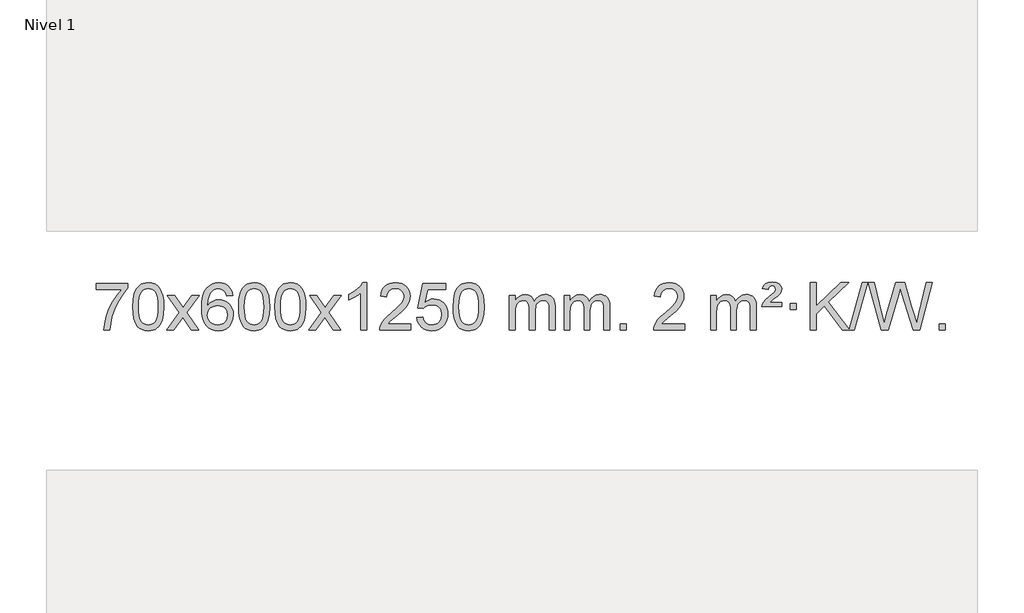
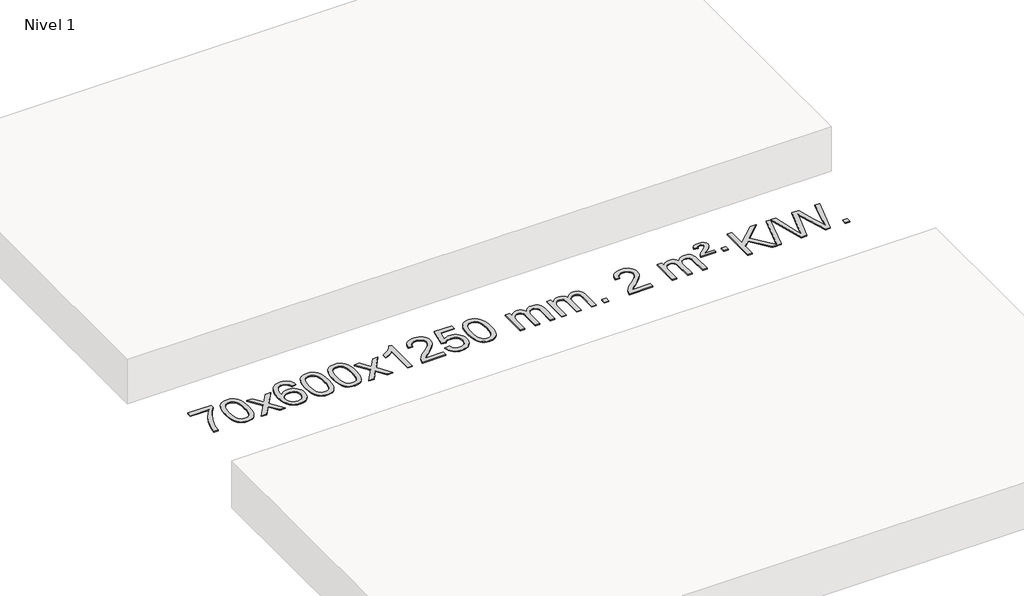
# One storey, part 3 of 7: 1 proxy.
"""IFC4 building model written with IfcOpenShell, lengths in millimetres."""

from ifc_helpers import new_model, si_unit, origin, origin_with_axes, place, context, project, spatial, polyline, outline, extrude, element, save

model = new_model("IFC4")

# Units and contexts
model_context = context("Model", 3, world=origin())
ifc_project = project(units=[si_unit("LENGTHUNIT", "METRE", prefix="MILLI")], contexts=[model_context])

# Site, building, storey
site = spatial("IfcSite", under=ifc_project)
building = spatial("IfcBuilding", under=site)
storey = spatial("IfcBuildingStorey", under=building, Name="Nivel 1", Elevation=0.0)

# Proxy
placement = place(None, origin())
element("IfcBuildingElementProxy", 1, Name="Texto de modelo 1", ObjectType="Texto de modelo 1", at=placement, inside=storey, context=model_context, shape_type="SweptSolid", body=[
    extrude(outline(polyline([(-25593.8451637, -6239.2982907), (-25593.8451637, -6189.0701357), (-25330.1473496, -6189.0701357), (-25330.1473496, -6229.6843079), (-25367.7326267, -6277.2514499), (-25404.9500219, -6337.7435126), (-25437.7773586, -6405.6422662), (-25462.1924604, -6475.4294807), (-25474.1608879, -6527.6441985), (-25480.8318148, -6584.6168569), (-25531.0599699, -6584.6168569), (-25525.6275791, -6532.8435974), (-25511.0962403, -6471.3092024), (-25487.8583609, -6406.0837246), (-25456.3063484, -6343.2372171), (-25419.469098, -6286.4239743), (-25380.3755046, -6239.2982907), (-25593.8451637, -6239.2982907)])), origin_with_axes(), (0.0, 0.0, 1.0), 10.0),
    extrude(outline(polyline([(-25286.1977139, -6386.9415981), (-25282.5066312, -6322.6235626), (-25271.4333831, -6271.3285498), (-25253.0883343, -6232.2717446), (-25241.2302713, -6217.0383643), (-25227.5818493, -6204.6683323), (-25212.097083, -6195.097269), (-25194.7299871, -6188.2607953), (-25154.3488068, -6182.7916163), (-25123.3976683, -6186.0289778), (-25095.6838913, -6195.7410625), (-25072.5073256, -6211.5477256), (-25055.1678209, -6233.0688223), (-25042.0712219, -6260.1204117), (-25031.6233732, -6292.5185527), (-25024.7807681, -6333.6600225), (-25022.4998997, -6386.9415981), (-25026.1541942, -6450.8917516), (-25037.1170777, -6502.0641372), (-25055.3517619, -6541.1577305), (-25067.1822337, -6556.437096), (-25080.8214587, -6568.8715075), (-25096.3246191, -6578.5069501), (-25113.7468973, -6585.3894091), (-25154.3488068, -6590.8953763), (-25182.0135328, -6588.5041433), (-25206.5389992, -6581.3304444), (-25227.9252058, -6569.3742795), (-25246.1721528, -6552.6356488), (-25263.6833358, -6522.3773547), (-25276.1913236, -6484.6755815), (-25283.6961163, -6439.5303293), (-25286.1977139, -6386.9415981)]), holes=[polyline([(-25235.9695588, -6386.8434963), (-25234.4980308, -6430.5080234), (-25230.0834469, -6465.8522861), (-25222.725807, -6492.8762843), (-25212.4251111, -6511.5800181), (-25199.9661742, -6524.3056694), (-25186.1338112, -6533.3954204), (-25170.9280221, -6538.849271), (-25154.3488068, -6540.6672212), (-25137.7695916, -6538.8431396), (-25122.5638024, -6533.3708949), (-25108.7314394, -6524.2504871), (-25096.2725025, -6511.4819162), (-25085.9718066, -6492.7475256), (-25078.6141667, -6465.7296588), (-25074.1995828, -6430.4283156), (-25072.7280548, -6386.8434963), (-25074.1505319, -6344.3347317), (-25078.417963, -6309.6128027), (-25085.5303482, -6282.6777093), (-25095.4876876, -6263.5294515), (-25107.738158, -6250.1814664), (-25121.7299366, -6240.6471914), (-25137.4630232, -6234.9266264), (-25154.937418, -6233.0197713), (-25171.4307941, -6234.6997658), (-25186.3790659, -6239.7397491), (-25199.7822332, -6248.1397213), (-25211.6402962, -6259.8996825), (-25222.2843486, -6280.7463289), (-25229.8872431, -6308.8525133), (-25234.4489799, -6344.2182358), (-25235.9695588, -6386.8434963)])]), origin_with_axes(), (0.0, 0.0, 1.0), 10.0),
    extrude(outline(polyline([(-24997.3858222, -6584.6168569), (-24890.0623815, -6436.2868364), (-24991.1073028, -6289.5264458), (-24930.6765537, -6289.5264458), (-24881.9199266, -6360.1597889), (-24859.1602939, -6393.5144231), (-24839.4418189, -6366.2421045), (-24783.9161631, -6289.5264458), (-24723.4854141, -6289.5264458), (-24829.6316324, -6436.2868364), (-24727.4094887, -6584.6168569), (-24787.8402377, -6584.6168569), (-24849.3501073, -6495.4422612), (-24860.6318219, -6479.1573516), (-24936.9550731, -6584.6168569), (-24997.3858222, -6584.6168569)])), origin_with_axes(), (0.0, 0.0, 1.0), 10.0),
    extrude(outline(polyline([(-24438.597597, -6289.5264458), (-24488.8257521, -6295.8049652), (-24496.919156, -6270.9116168), (-24507.8575139, -6253.9154687), (-24530.6416722, -6238.2436957), (-24558.1837709, -6233.0197713), (-24581.5320148, -6236.0609292), (-24603.5068327, -6245.1844027), (-24622.379179, -6264.4001055), (-24637.7934346, -6290.850821), (-24648.2044951, -6328.2644199), (-24652.0672561, -6380.3687731), (-24631.9195855, -6356.8611137), (-24607.7742638, -6340.2941611), (-24580.9801919, -6330.4717119), (-24552.8862702, -6327.1975621), (-24528.7532113, -6329.4355109), (-24506.4840878, -6336.1493573), (-24486.0788998, -6347.3391013), (-24467.5376473, -6363.004743), (-24452.129523, -6382.2143145), (-24441.12372, -6404.0358482), (-24434.5202382, -6428.469344), (-24432.3190776, -6455.514802), (-24436.4638814, -6491.4813984), (-24448.8982929, -6524.8237699), (-24468.5922423, -6553.1016326), (-24494.5156603, -6573.8747026), (-24525.4913243, -6586.6402078), (-24560.3420119, -6590.8953763), (-24590.2845407, -6588.0749476), (-24617.326933, -6579.6136617), (-24641.4691889, -6565.5115186), (-24662.7113085, -6545.7685182), (-24680.0293534, -6519.5507947), (-24692.3993855, -6486.0244822), (-24699.8214047, -6445.1895807), (-24702.2954111, -6397.0460903), (-24699.5485589, -6343.0716702), (-24691.3080022, -6297.006713), (-24677.5737411, -6258.8512188), (-24658.3457754, -6228.6051874), (-24637.5052604, -6208.56175), (-24613.3415447, -6194.2450091), (-24585.8546283, -6185.6549645), (-24555.0445112, -6182.7916163), (-24531.9108651, -6184.5635812), (-24510.9722482, -6189.879476), (-24492.2286605, -6198.7393008), (-24475.6801021, -6211.1430554), (-24461.7741627, -6226.6738069), (-24450.958432, -6244.9146225), (-24443.2329101, -6265.8655021), (-24438.597597, -6289.5264458)]), holes=[polyline([(-24652.0672561, -6454.7299871), (-24649.1609883, -6476.9868478), (-24640.442185, -6498.2381644), (-24626.9041276, -6516.5096368), (-24609.5400974, -6529.8269651), (-24588.5830864, -6537.9571571), (-24564.2660865, -6540.6672212), (-24531.1199188, -6535.0508894), (-24517.2047823, -6528.0304746), (-24505.0616108, -6518.201894), (-24495.2115704, -6505.9636863), (-24488.1758272, -6491.7143904), (-24482.5472327, -6457.1825337), (-24488.1022508, -6424.036366), (-24495.0460235, -6410.4155351), (-24504.7673052, -6398.7628729), (-24516.9472649, -6389.4278673), (-24531.2670716, -6382.7600061), (-24566.3262257, -6377.4257172), (-24599.4233425, -6382.7600061), (-24627.1003313, -6398.7628729), (-24638.0233609, -6410.2622509), (-24645.8255249, -6423.4232293), (-24650.5068233, -6438.245808), (-24652.0672561, -6454.7299871)])]), origin_with_axes(), (0.0, 0.0, 1.0), 10.0),
    extrude(outline(polyline([(-24388.3694419, -6386.9415981), (-24384.6783592, -6322.6235626), (-24373.6051112, -6271.3285498), (-24355.2600623, -6232.2717446), (-24343.4019994, -6217.0383643), (-24329.7535774, -6204.6683323), (-24314.268811, -6195.097269), (-24296.9017152, -6188.2607953), (-24256.5205348, -6182.7916163), (-24225.5693963, -6186.0289778), (-24197.8556193, -6195.7410625), (-24174.6790537, -6211.5477256), (-24157.3395489, -6233.0688223), (-24144.2429499, -6260.1204117), (-24133.7951013, -6292.5185527), (-24126.9524961, -6333.6600225), (-24124.6716278, -6386.9415981), (-24128.3259223, -6450.8917516), (-24139.2888057, -6502.0641372), (-24157.5234899, -6541.1577305), (-24169.3539618, -6556.437096), (-24182.9931867, -6568.8715075), (-24198.4963472, -6578.5069501), (-24215.9186253, -6585.3894091), (-24256.5205348, -6590.8953763), (-24284.1852609, -6588.5041433), (-24308.7107272, -6581.3304444), (-24330.0969339, -6569.3742795), (-24348.3438808, -6552.6356488), (-24365.8550638, -6522.3773547), (-24378.3630516, -6484.6755815), (-24385.8678443, -6439.5303293), (-24388.3694419, -6386.9415981)]), holes=[polyline([(-24338.1412868, -6386.8434963), (-24336.6697589, -6430.5080234), (-24332.2551749, -6465.8522861), (-24324.897535, -6492.8762843), (-24314.5968391, -6511.5800181), (-24302.1379022, -6524.3056694), (-24288.3055392, -6533.3954204), (-24273.0997501, -6538.849271), (-24256.5205348, -6540.6672212), (-24239.9413196, -6538.8431396), (-24224.7355305, -6533.3708949), (-24210.9031674, -6524.2504871), (-24198.4442305, -6511.4819162), (-24188.1435347, -6492.7475256), (-24180.7858948, -6465.7296588), (-24176.3713108, -6430.4283156), (-24174.8997828, -6386.8434963), (-24176.3222599, -6344.3347317), (-24180.589691, -6309.6128027), (-24187.7020763, -6282.6777093), (-24197.6594156, -6263.5294515), (-24209.9098861, -6250.1814664), (-24223.9016646, -6240.6471914), (-24239.6347513, -6234.9266264), (-24257.109146, -6233.0197713), (-24273.6025222, -6234.6997658), (-24288.5507939, -6239.7397491), (-24301.9539612, -6248.1397213), (-24313.8120242, -6259.8996825), (-24324.4560766, -6280.7463289), (-24332.0589712, -6308.8525133), (-24336.6207079, -6344.2182358), (-24338.1412868, -6386.8434963)])]), origin_with_axes(), (0.0, 0.0, 1.0), 10.0),
    extrude(outline(polyline([(-24080.7219921, -6386.9415981), (-24077.0309094, -6322.6235626), (-24065.9576613, -6271.3285498), (-24047.6126125, -6232.2717446), (-24035.7545495, -6217.0383643), (-24022.1061275, -6204.6683323), (-24006.6213612, -6195.097269), (-23989.2542653, -6188.2607953), (-23948.873085, -6182.7916163), (-23917.9219465, -6186.0289778), (-23890.2081695, -6195.7410625), (-23867.0316038, -6211.5477256), (-23849.6920991, -6233.0688223), (-23836.5955001, -6260.1204117), (-23826.1476514, -6292.5185527), (-23819.3050463, -6333.6600225), (-23817.0241779, -6386.9415981), (-23820.6784724, -6450.8917516), (-23831.6413559, -6502.0641372), (-23849.8760401, -6541.1577305), (-23861.7065119, -6556.437096), (-23875.3457369, -6568.8715075), (-23890.8488973, -6578.5069501), (-23908.2711755, -6585.3894091), (-23948.873085, -6590.8953763), (-23976.537811, -6588.5041433), (-24001.0632774, -6581.3304444), (-24022.449484, -6569.3742795), (-24040.696431, -6552.6356488), (-24058.207614, -6522.3773547), (-24070.7156018, -6484.6755815), (-24078.2203945, -6439.5303293), (-24080.7219921, -6386.9415981)]), holes=[polyline([(-24030.493837, -6386.8434963), (-24029.022309, -6430.5080234), (-24024.6077251, -6465.8522861), (-24017.2500852, -6492.8762843), (-24006.9493893, -6511.5800181), (-23994.4904524, -6524.3056694), (-23980.6580894, -6533.3954204), (-23965.4523003, -6538.849271), (-23948.873085, -6540.6672212), (-23932.2938698, -6538.8431396), (-23917.0880806, -6533.3708949), (-23903.2557176, -6524.2504871), (-23890.7967807, -6511.4819162), (-23880.4960848, -6492.7475256), (-23873.1384449, -6465.7296588), (-23868.723861, -6430.4283156), (-23867.252333, -6386.8434963), (-23868.6748101, -6344.3347317), (-23872.9422412, -6309.6128027), (-23880.0546264, -6282.6777093), (-23890.0119658, -6263.5294515), (-23902.2624362, -6250.1814664), (-23916.2542148, -6240.6471914), (-23931.9873014, -6234.9266264), (-23949.4616962, -6233.0197713), (-23965.9550723, -6234.6997658), (-23980.9033441, -6239.7397491), (-23994.3065114, -6248.1397213), (-24006.1645744, -6259.8996825), (-24016.8086268, -6280.7463289), (-24024.4115214, -6308.8525133), (-24028.9732581, -6344.2182358), (-24030.493837, -6386.8434963)])]), origin_with_axes(), (0.0, 0.0, 1.0), 10.0),
    extrude(outline(polyline([(-23791.9101004, -6584.6168569), (-23684.5866597, -6436.2868364), (-23785.631581, -6289.5264458), (-23725.2008319, -6289.5264458), (-23676.4442048, -6360.1597889), (-23653.6845721, -6393.5144231), (-23633.9660971, -6366.2421045), (-23578.4404413, -6289.5264458), (-23518.0096923, -6289.5264458), (-23624.1559106, -6436.2868364), (-23521.9337669, -6584.6168569), (-23582.3645159, -6584.6168569), (-23643.8743855, -6495.4422612), (-23655.1561001, -6479.1573516), (-23731.4793513, -6584.6168569), (-23791.9101004, -6584.6168569)])), origin_with_axes(), (0.0, 0.0, 1.0), 10.0),
    extrude(outline(polyline([(-23302.1855884, -6584.6168569), (-23352.4137435, -6584.6168569), (-23352.4137435, -6271.4757026), (-23373.3830172, -6288.4350626), (-23399.9931482, -6305.3698971), (-23452.8700536, -6330.7292293), (-23452.8700536, -6283.2479264), (-23413.420841, -6261.7881434), (-23379.2446037, -6236.2571329), (-23352.3033789, -6209.1074417), (-23334.559204, -6182.7916163), (-23302.1855884, -6182.7916163), (-23302.1855884, -6584.6168569)])), origin_with_axes(), (0.0, 0.0, 1.0), 10.0),
    extrude(outline(polyline([(-22925.4744254, -6534.3887018), (-22925.4744254, -6584.6168569), (-23189.1722395, -6584.6168569), (-23188.0685935, -6566.9339956), (-23183.7766369, -6549.9868984), (-23171.3912764, -6522.9230463), (-23153.2669568, -6496.6685346), (-23127.0492333, -6469.1877495), (-23090.3836611, -6438.4450775), (-23036.1823804, -6390.301587), (-23003.6616121, -6354.7641863), (-22987.4012279, -6325.9222379), (-22981.9810998, -6297.8651044), (-22987.0946596, -6272.7142386), (-23002.4353388, -6251.8062786), (-23026.0165746, -6237.7163982), (-23055.8518045, -6233.0197713), (-23087.1830877, -6237.6060336), (-23111.5246131, -6251.3648202), (-23127.2331742, -6273.2170107), (-23132.665565, -6302.0834846), (-23182.8937201, -6295.8049652), (-23178.5741724, -6269.8754159), (-23170.7168261, -6247.2200164), (-23159.3216813, -6227.8387666), (-23144.388738, -6211.7316666), (-23126.2613526, -6199.0703946), (-23105.2828819, -6190.0266288), (-23081.4533256, -6184.6003694), (-23054.7726839, -6182.7916163), (-23027.8529189, -6184.8027045), (-23003.894604, -6190.8359692), (-22982.8977391, -6200.8914104), (-22964.8623243, -6214.9690281), (-22950.3769708, -6232.02649), (-22940.0302896, -6251.0214636), (-22933.822281, -6271.9539492), (-22931.7529447, -6294.8239465), (-22933.9847622, -6318.8466408), (-22940.6802145, -6342.4524022), (-22952.5628029, -6366.4628337), (-22970.3560288, -6391.6995386), (-22998.7197306, -6421.829074), (-23042.313747, -6460.5179972), (-23100.0957457, -6508.8331659), (-23122.7572766, -6534.3887018), (-22925.4744254, -6534.3887018)])), origin_with_axes(), (0.0, 0.0, 1.0), 10.0),
    extrude(outline(polyline([(-22875.2462703, -6477.8820273), (-22825.0181152, -6471.603508), (-22815.7965399, -6501.7575688), (-22799.7078339, -6523.3522419), (-22776.8255738, -6536.3384764), (-22747.223336, -6540.6672212), (-22728.0934722, -6539.1619707), (-22711.2199514, -6534.6462192), (-22696.6027734, -6527.1199667), (-22684.2419384, -6516.5832132), (-22674.4133578, -6503.5571249), (-22667.392943, -6488.5628679), (-22661.7766112, -6452.6698479), (-22667.0373238, -6418.8737553), (-22673.6132144, -6404.9555532), (-22682.8194613, -6393.0239138), (-22694.6867214, -6383.4528505), (-22709.2456513, -6376.6163768), (-22746.438521, -6371.1471978), (-22770.8045719, -6373.3299643), (-22790.5353095, -6379.8782638), (-22806.2929217, -6389.9091796), (-22818.7395958, -6402.5397947), (-22868.9677509, -6396.2612753), (-22825.0181152, -6189.0701357), (-22630.3840143, -6189.0701357), (-22630.3840143, -6239.2982907), (-22784.4039429, -6239.2982907), (-22805.8882515, -6349.9571949), (-22788.1624707, -6337.2530033), (-22770.0074942, -6328.1785808), (-22751.4233221, -6322.7339272), (-22732.4099543, -6320.9190427), (-22707.9488673, -6323.1692543), (-22685.4804744, -6329.9198889), (-22665.0047757, -6341.1709466), (-22646.5217712, -6356.9224273), (-22631.2209458, -6376.2117066), (-22620.2917849, -6398.0761598), (-22613.7342883, -6422.5157871), (-22611.5484561, -6449.5305882), (-22613.5166248, -6475.552108), (-22619.4211308, -6499.7587433), (-22629.2619742, -6522.1504941), (-22643.0391549, -6542.7273604), (-22663.9103268, -6563.8008673), (-22688.2641149, -6578.8533723), (-22716.1005192, -6587.8848753), (-22747.4195397, -6590.8953763), (-22773.3398919, -6588.9609301), (-22796.7525152, -6583.1575916), (-22817.6574096, -6573.4853608), (-22836.0545751, -6559.9442377), (-22851.3615318, -6543.2086726), (-22862.9957998, -6523.9531159), (-22870.9573794, -6502.1775674), (-22875.2462703, -6477.8820273)])), origin_with_axes(), (0.0, 0.0, 1.0), 10.0),
    extrude(outline(polyline([(-22567.5988205, -6386.9415981), (-22563.9077378, -6322.6235626), (-22552.8344897, -6271.3285498), (-22534.4894409, -6232.2717446), (-22522.6313779, -6217.0383643), (-22508.9829559, -6204.6683323), (-22493.4981896, -6195.097269), (-22476.1310937, -6188.2607953), (-22435.7499134, -6182.7916163), (-22404.7987749, -6186.0289778), (-22377.0849979, -6195.7410625), (-22353.9084322, -6211.5477256), (-22336.5689275, -6233.0688223), (-22323.4723285, -6260.1204117), (-22313.0244798, -6292.5185527), (-22306.1818747, -6333.6600225), (-22303.9010063, -6386.9415981), (-22307.5553008, -6450.8917516), (-22318.5181843, -6502.0641372), (-22336.7528685, -6541.1577305), (-22348.5833403, -6556.437096), (-22362.2225653, -6568.8715075), (-22377.7257257, -6578.5069501), (-22395.1480038, -6585.3894091), (-22435.7499134, -6590.8953763), (-22463.4146394, -6588.5041433), (-22487.9401058, -6581.3304444), (-22509.3263124, -6569.3742795), (-22527.5732594, -6552.6356488), (-22545.0844423, -6522.3773547), (-22557.5924302, -6484.6755815), (-22565.0972229, -6439.5303293), (-22567.5988205, -6386.9415981)]), holes=[polyline([(-22517.3706654, -6386.8434963), (-22515.8991374, -6430.5080234), (-22511.4845535, -6465.8522861), (-22504.1269136, -6492.8762843), (-22493.8262177, -6511.5800181), (-22481.3672808, -6524.3056694), (-22467.5349178, -6533.3954204), (-22452.3291286, -6538.849271), (-22435.7499134, -6540.6672212), (-22419.1706981, -6538.8431396), (-22403.964909, -6533.3708949), (-22390.132546, -6524.2504871), (-22377.6736091, -6511.4819162), (-22367.3729132, -6492.7475256), (-22360.0152733, -6465.7296588), (-22355.6006894, -6430.4283156), (-22354.1291614, -6386.8434963), (-22355.5516384, -6344.3347317), (-22359.8190696, -6309.6128027), (-22366.9314548, -6282.6777093), (-22376.8887942, -6263.5294515), (-22389.1392646, -6250.1814664), (-22403.1310431, -6240.6471914), (-22418.8641298, -6234.9266264), (-22436.3385246, -6233.0197713), (-22452.8319007, -6234.6997658), (-22467.7801724, -6239.7397491), (-22481.1833398, -6248.1397213), (-22493.0414028, -6259.8996825), (-22503.6854552, -6280.7463289), (-22511.2883497, -6308.8525133), (-22515.8500865, -6344.2182358), (-22517.3706654, -6386.8434963)])]), origin_with_axes(), (0.0, 0.0, 1.0), 10.0),
    extrude(outline(polyline([(-22090.4313472, -6584.6168569), (-22090.4313472, -6289.5264458), (-22040.2031922, -6289.5264458), (-22040.2031922, -6338.0868692), (-22025.0955049, -6315.7809575), (-22005.6713356, -6298.3065628), (-21982.5928717, -6287.0125855), (-21956.522301, -6283.2479264), (-21928.5877948, -6287.0861619), (-21906.1960441, -6298.6008684), (-21889.469676, -6317.0317563), (-21878.531318, -6341.6185363), (-21860.2230574, -6316.0813945), (-21839.3396228, -6297.8405789), (-21815.8810142, -6286.8960895), (-21789.8472317, -6283.2479264), (-21769.739415, -6284.7654397), (-21752.0902763, -6289.3179793), (-21736.8998156, -6296.9055455), (-21724.1680328, -6307.5281381), (-21714.1033946, -6321.3083845), (-21706.9143673, -6338.368912), (-21702.6009509, -6358.7097207), (-21701.1631454, -6382.3308105), (-21701.1631454, -6584.6168569), (-21751.3913005, -6584.6168569), (-21751.3913005, -6403.9132208), (-21752.5562601, -6378.860457), (-21756.0511391, -6361.9746734), (-21762.5994386, -6350.410916), (-21772.9246599, -6341.3242307), (-21786.2052, -6335.4381188), (-21801.6194556, -6333.4760815), (-21828.8304605, -6338.5038021), (-21851.0137448, -6353.5869639), (-21859.6191178, -6365.1568526), (-21865.7658128, -6379.7556365), (-21870.6831688, -6418.0398895), (-21870.6831688, -6584.6168569), (-21920.9113239, -6584.6168569), (-21920.9113239, -6398.3214145), (-21923.8175916, -6369.9209245), (-21932.5363949, -6349.6628893), (-21947.8770741, -6337.5227834), (-21970.6489696, -6333.4760815), (-21989.9995626, -6336.1738828), (-22007.8295766, -6344.2672867), (-22022.5448564, -6357.5600894), (-22032.5512467, -6375.8560873), (-22038.2902058, -6401.239945), (-22040.2031922, -6435.7963271), (-22040.2031922, -6584.6168569), (-22090.4313472, -6584.6168569)])), origin_with_axes(), (0.0, 0.0, 1.0), 10.0),
    extrude(outline(polyline([(-21625.8209128, -6584.6168569), (-21625.8209128, -6289.5264458), (-21575.5927577, -6289.5264458), (-21575.5927577, -6338.0868692), (-21560.4850705, -6315.7809575), (-21541.0609011, -6298.3065628), (-21517.9824373, -6287.0125855), (-21491.9118666, -6283.2479264), (-21463.9773604, -6287.0861619), (-21441.5856096, -6298.6008684), (-21424.8592416, -6317.0317563), (-21413.9208836, -6341.6185363), (-21395.612623, -6316.0813945), (-21374.7291884, -6297.8405789), (-21351.2705798, -6286.8960895), (-21325.2367973, -6283.2479264), (-21305.1289806, -6284.7654397), (-21287.4798418, -6289.3179793), (-21272.2893811, -6296.9055455), (-21259.5575984, -6307.5281381), (-21249.4929602, -6321.3083845), (-21242.3039328, -6338.368912), (-21237.9905164, -6358.7097207), (-21236.552711, -6382.3308105), (-21236.552711, -6584.6168569), (-21286.780866, -6584.6168569), (-21286.780866, -6403.9132208), (-21287.9458257, -6378.860457), (-21291.4407047, -6361.9746734), (-21297.9890042, -6350.410916), (-21308.3142255, -6341.3242307), (-21321.5947655, -6335.4381188), (-21337.0090211, -6333.4760815), (-21364.220026, -6338.5038021), (-21386.4033103, -6353.5869639), (-21395.0086833, -6365.1568526), (-21401.1553783, -6379.7556365), (-21406.0727343, -6418.0398895), (-21406.0727343, -6584.6168569), (-21456.3008894, -6584.6168569), (-21456.3008894, -6398.3214145), (-21459.2071572, -6369.9209245), (-21467.9259605, -6349.6628893), (-21483.2666397, -6337.5227834), (-21506.0385352, -6333.4760815), (-21525.3891281, -6336.1738828), (-21543.2191422, -6344.2672867), (-21557.934422, -6357.5600894), (-21567.9408122, -6375.8560873), (-21573.6797714, -6401.239945), (-21575.5927577, -6435.7963271), (-21575.5927577, -6584.6168569), (-21625.8209128, -6584.6168569)])), origin_with_axes(), (0.0, 0.0, 1.0), 10.0),
    extrude(outline(polyline([(-21148.6534396, -6584.6168569), (-21148.6534396, -6534.3887018), (-21098.4252845, -6534.3887018), (-21098.4252845, -6584.6168569), (-21148.6534396, -6584.6168569)])), origin_with_axes(), (0.0, 0.0, 1.0), 10.0),
    extrude(outline(polyline([(-20602.4222532, -6534.3887018), (-20602.4222532, -6584.6168569), (-20866.1200673, -6584.6168569), (-20865.0164213, -6566.9339956), (-20860.7244647, -6549.9868984), (-20848.3391042, -6522.9230463), (-20830.2147846, -6496.6685346), (-20803.997061, -6469.1877495), (-20767.3314889, -6438.4450775), (-20713.1302082, -6390.301587), (-20680.6094399, -6354.7641863), (-20664.3490557, -6325.9222379), (-20658.9289276, -6297.8651044), (-20664.0424873, -6272.7142386), (-20679.3831665, -6251.8062786), (-20702.9644024, -6237.7163982), (-20732.7996322, -6233.0197713), (-20764.1309155, -6237.6060336), (-20788.4724408, -6251.3648202), (-20804.181002, -6273.2170107), (-20809.6133928, -6302.0834846), (-20859.8415479, -6295.8049652), (-20855.5220002, -6269.8754159), (-20847.6646539, -6247.2200164), (-20836.2695091, -6227.8387666), (-20821.3365657, -6211.7316666), (-20803.2091804, -6199.0703946), (-20782.2307097, -6190.0266288), (-20758.4011534, -6184.6003694), (-20731.7205117, -6182.7916163), (-20704.8007467, -6184.8027045), (-20680.8424318, -6190.8359692), (-20659.8455669, -6200.8914104), (-20641.8101521, -6214.9690281), (-20627.3247985, -6232.02649), (-20616.9781174, -6251.0214636), (-20610.7701088, -6271.9539492), (-20608.7007725, -6294.8239465), (-20610.93259, -6318.8466408), (-20617.6280423, -6342.4524022), (-20629.5106307, -6366.4628337), (-20647.3038566, -6391.6995386), (-20675.6675584, -6421.829074), (-20719.2615748, -6460.5179972), (-20777.0435735, -6508.8331659), (-20799.7051044, -6534.3887018), (-20602.4222532, -6534.3887018)])), origin_with_axes(), (0.0, 0.0, 1.0), 10.0),
    extrude(outline(polyline([(-20382.6740747, -6584.6168569), (-20382.6740747, -6289.5264458), (-20332.4459196, -6289.5264458), (-20332.4459196, -6338.0868692), (-20317.3382324, -6315.7809575), (-20297.914063, -6298.3065628), (-20274.8355992, -6287.0125855), (-20248.7650285, -6283.2479264), (-20220.8305223, -6287.0861619), (-20198.4387715, -6298.6008684), (-20181.7124035, -6317.0317563), (-20170.7740455, -6341.6185363), (-20152.4657849, -6316.0813945), (-20131.5823503, -6297.8405789), (-20108.1237417, -6286.8960895), (-20082.0899592, -6283.2479264), (-20061.9821425, -6284.7654397), (-20044.3330037, -6289.3179793), (-20029.142543, -6296.9055455), (-20016.4107603, -6307.5281381), (-20006.3461221, -6321.3083845), (-19999.1570947, -6338.368912), (-19994.8436783, -6358.7097207), (-19993.4058729, -6382.3308105), (-19993.4058729, -6584.6168569), (-20043.6340279, -6584.6168569), (-20043.6340279, -6403.9132208), (-20044.7989876, -6378.860457), (-20048.2938666, -6361.9746734), (-20054.8421661, -6350.410916), (-20065.1673874, -6341.3242307), (-20078.4479274, -6335.4381188), (-20093.862183, -6333.4760815), (-20121.0731879, -6338.5038021), (-20143.2564722, -6353.5869639), (-20151.8618452, -6365.1568526), (-20158.0085402, -6379.7556365), (-20162.9258962, -6418.0398895), (-20162.9258962, -6584.6168569), (-20213.1540513, -6584.6168569), (-20213.1540513, -6398.3214145), (-20216.0603191, -6369.9209245), (-20224.7791224, -6349.6628893), (-20240.1198016, -6337.5227834), (-20262.8916971, -6333.4760815), (-20282.24229, -6336.1738828), (-20300.072304, -6344.2672867), (-20314.7875839, -6357.5600894), (-20324.7939741, -6375.8560873), (-20330.5329333, -6401.239945), (-20332.4459196, -6435.7963271), (-20332.4459196, -6584.6168569), (-20382.6740747, -6584.6168569)])), origin_with_axes(), (0.0, 0.0, 1.0), 10.0),
    extrude(outline(polyline([(-19949.4562372, -6383.7042366), (-19945.6302644, -6367.8853108), (-19937.2916059, -6352.0173341), (-19915.7827719, -6326.878731), (-19883.8260892, -6299.1404286), (-19839.6802498, -6261.7636179), (-19832.5433391, -6250.2366487), (-19830.1643689, -6238.4153739), (-19832.0528298, -6226.324319), (-19837.7182125, -6216.538658), (-19847.0869407, -6210.0639348), (-19860.0854378, -6207.9056938), (-19872.5198493, -6209.5243746), (-19881.3735426, -6214.3804169), (-19887.7992148, -6223.8472469), (-19892.9495627, -6239.2982907), (-19943.1777178, -6233.0197713), (-19932.3374617, -6207.8075919), (-19915.7091955, -6190.247358), (-19891.9440186, -6179.9466622), (-19859.6930304, -6176.5130969), (-19823.910375, -6180.645638), (-19799.1641794, -6193.0432612), (-19784.7432052, -6211.3760473), (-19779.9362138, -6233.3140769), (-19784.0319667, -6256.2208625), (-19796.3192253, -6277.8523238), (-19816.8470407, -6297.6689006), (-19853.3164091, -6325.7260341), (-19878.920996, -6352.3116396), (-19779.9362138, -6352.3116396), (-19779.9362138, -6383.7042366), (-19949.4562372, -6383.7042366)])), origin_with_axes(), (0.0, 0.0, 1.0), 10.0),
    extrude(outline(polyline([(-19704.5939812, -6408.8183141), (-19704.5939812, -6358.590159), (-19654.3658261, -6358.590159), (-19654.3658261, -6408.8183141), (-19704.5939812, -6408.8183141)])), origin_with_axes(), (0.0, 0.0, 1.0), 10.0),
    extrude(outline(polyline([(-19263.7241982, -6584.6168569), (-19417.1555156, -6381.938403), (-19484.8458027, -6446.4894304), (-19484.8458027, -6584.6168569), (-19535.0739578, -6584.6168569), (-19535.0739578, -6182.7916163), (-19484.8458027, -6182.7916163), (-19484.8458027, -6379.4858564), (-19278.8318854, -6182.7916163), (-19208.5909498, -6182.7916163), (-19381.5445385, -6347.9951576), (-19206.8909286, -6578.5723371), (-19095.5776009, -6182.7916163), (-19050.2545391, -6182.7916163), (-19163.267888, -6584.6168569), (-19202.3124304, -6584.6168569), (-19208.5909498, -6584.6168569), (-19263.7241982, -6584.6168569)])), origin_with_axes(), (0.0, 0.0, 1.0), 10.0),
    extrude(outline(polyline([(-18935.7696622, -6584.6168569), (-19045.3494458, -6182.7916163), (-18993.5516609, -6182.7916163), (-18929.9816521, -6446.8818379), (-18910.3612791, -6528.404488), (-18889.3674799, -6456.299617), (-18809.7087652, -6182.7916163), (-18735.0532456, -6182.7916163), (-18677.1731451, -6381.0554862), (-18652.3778986, -6454.6318852), (-18634.1064262, -6528.404488), (-18615.0746643, -6449.2362826), (-18550.9160443, -6182.7916163), (-18499.1182594, -6182.7916163), (-18608.7961449, -6584.6168569), (-18662.4578653, -6584.6168569), (-18758.7938971, -6274.6149623), (-18772.2338526, -6231.3520396), (-18787.3415399, -6283.4441302), (-18875.1427094, -6584.6168569), (-18935.7696622, -6584.6168569)])), origin_with_axes(), (0.0, 0.0, 1.0), 10.0),
    extrude(outline(polyline([(-18442.6115849, -6584.6168569), (-18442.6115849, -6534.3887018), (-18392.3834299, -6534.3887018), (-18392.3834299, -6584.6168569), (-18442.6115849, -6584.6168569)])), origin_with_axes(), (0.0, 0.0, 1.0), 10.0),
])

save(model, "model.ifc")
